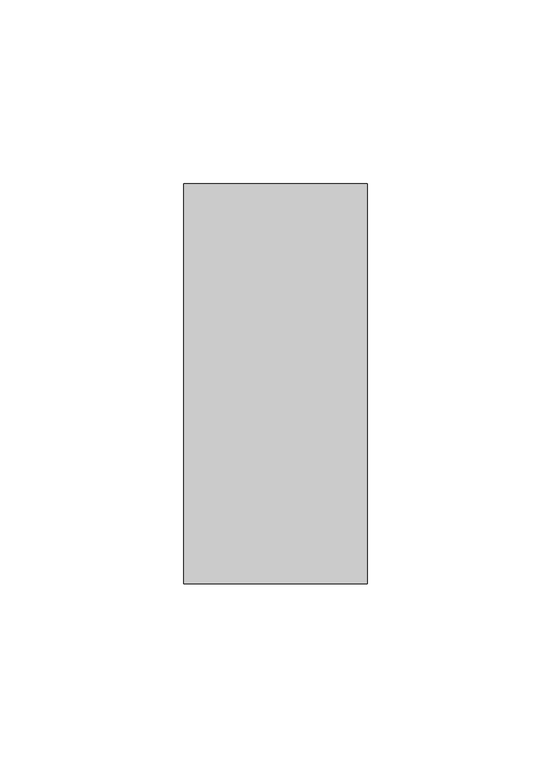
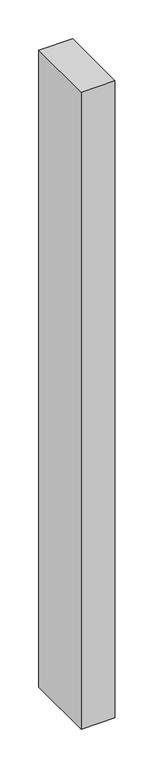
"""IFC4 building model written with IfcOpenShell, lengths in millimetres: member geometry."""

from ifc_helpers import new_model, si_unit, frame, origin, place, context, project, spatial, polyline, outline, extrude, source, transform, mapped, element, save


def member_95892b9a(model_context):
    return source(origin(), model_context, "Body", "SweptSolid", [
        extrude(outline(polyline([(0.0, -18.0), (-50.0, -18.0), (-50.0, 91.0), (0.0, 91.0), (0.0, -18.0)])), frame((0.0, 0.0, -999.9999997), z_axis=(0.0, 0.0, 1.0), x_axis=(1.0, 0.0, 0.0)), (0.0, 0.0, 1.0), 999.9999997),
    ])


if __name__ == "__main__":
    model = new_model("IFC4")
    model_context = context("Model", 3, world=origin())
    ifc_project = project(units=[si_unit("LENGTHUNIT", "METRE", prefix="MILLI")], contexts=[model_context])
    site = spatial("IfcSite", under=ifc_project)
    building = spatial("IfcBuilding", under=site)
    placement = place(None, origin())
    member_shape = member_95892b9a(model_context)
    element("IfcMember", 1, at=placement, inside=building, context=model_context, shape_type="MappedRepresentation", body=[
        mapped(member_shape, transform((0.0, 0.0, 0.0), x_axis=(1.0, 0.0, 0.0), y_axis=(0.0, 1.0, 0.0), z_axis=(0.0, 0.0, 1.0))),
    ])
    save(model, "model.ifc")
